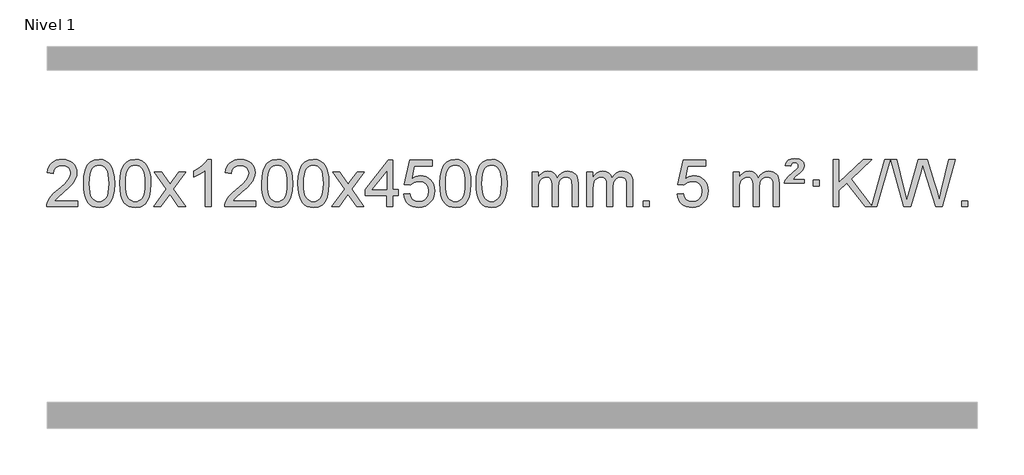
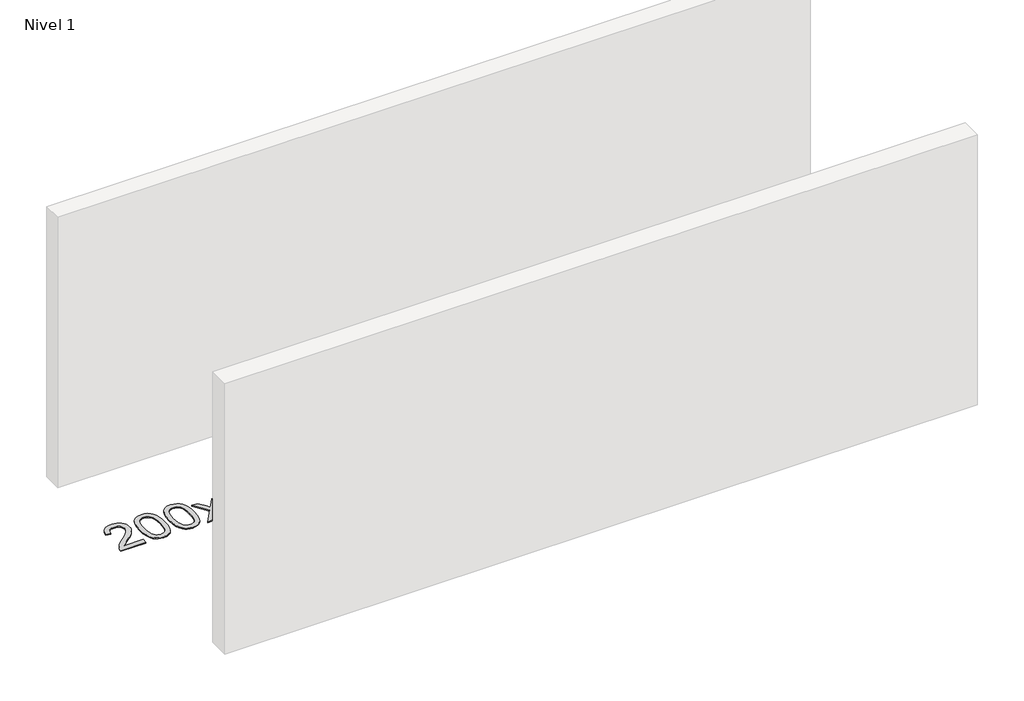
# One storey, part 7 of 14: 1 proxy.
"""IFC4 building model written with IfcOpenShell, lengths in millimetres."""

from ifc_helpers import new_model, si_unit, origin, origin_with_axes, place, context, project, spatial, polyline, outline, extrude, element, save

model = new_model("IFC4")

# Units and contexts
model_context = context("Model", 3, world=origin())
ifc_project = project(units=[si_unit("LENGTHUNIT", "METRE", prefix="MILLI")], contexts=[model_context])

# Site, building, storey
site = spatial("IfcSite", under=ifc_project)
building = spatial("IfcBuilding", under=site)
storey = spatial("IfcBuildingStorey", under=building, Name="Nivel 1", Elevation=0.0)

# Proxy
placement = place(None, origin())
element("IfcBuildingElementProxy", 1, Name="Texto de modelo 1", ObjectType="Texto de modelo 1", at=placement, inside=storey, context=model_context, shape_type="SweptSolid", body=[
    extrude(outline(polyline([(25.9073517, -18440.3512979), (25.9073517, -18490.579453), (-237.7904625, -18490.579453), (-236.6868165, -18472.8965918), (-232.3948599, -18455.9494945), (-220.0094994, -18428.8856424), (-201.8851797, -18402.6311307), (-175.6674562, -18375.1503456), (-139.001884, -18344.4076736), (-84.8006034, -18296.2641831), (-52.279835, -18260.7267824), (-36.0194508, -18231.884834), (-30.5993228, -18203.8277005), (-35.7128825, -18178.6768347), (-51.0535617, -18157.7688747), (-74.6347976, -18143.6789943), (-104.4700274, -18138.9823675), (-135.8013107, -18143.5686297), (-160.142836, -18157.3274163), (-175.8513972, -18179.1796068), (-181.283788, -18208.0460807), (-231.5119431, -18201.7675613), (-227.1923953, -18175.838012), (-219.335049, -18153.1826125), (-207.9399042, -18133.8013627), (-193.0069609, -18117.6942627), (-174.8795756, -18105.0329907), (-153.9011048, -18095.989225), (-130.0715486, -18090.5629655), (-103.3909069, -18088.7542124), (-76.4711419, -18090.7653006), (-52.512827, -18096.7985654), (-31.5159621, -18106.8540066), (-13.4805473, -18120.9316242), (1.0048063, -18137.9890861), (11.3514874, -18156.9840598), (17.5594961, -18177.9165453), (19.6288323, -18200.7865427), (17.3970149, -18224.8092369), (10.7015625, -18248.4149983), (-1.1810259, -18272.4254299), (-18.9742517, -18297.6621347), (-47.3379536, -18327.7916701), (-90.93197, -18366.4805933), (-148.7139687, -18414.795762), (-171.3754996, -18440.3512979), (25.9073517, -18440.3512979)])), origin_with_axes(), (0.0, 0.0, 1.0), 10.0),
    extrude(outline(polyline([(76.1355068, -18292.9041943), (79.8265894, -18228.5861588), (90.8998375, -18177.2911459), (109.2448863, -18138.2343407), (121.1029493, -18123.0009605), (134.7513713, -18110.6309284), (150.2361376, -18101.0598651), (167.6032335, -18094.2233914), (207.9844138, -18088.7542124), (238.9355524, -18091.991574), (266.6493293, -18101.7036586), (289.825895, -18117.5103217), (307.1653997, -18139.0314184), (320.2619988, -18166.0830078), (330.7098474, -18198.4811488), (337.5524525, -18239.6226186), (339.8333209, -18292.9041943), (336.1790264, -18356.8543477), (325.216143, -18408.0267333), (306.9814587, -18447.1203266), (295.1509869, -18462.3996922), (281.5117619, -18474.8341036), (266.0086015, -18484.4695462), (248.5863234, -18491.3520052), (207.9844138, -18496.8579724), (180.3196878, -18494.4667394), (155.7942214, -18487.2930405), (134.4080148, -18475.3368757), (116.1610678, -18458.5982449), (98.6498849, -18428.3399508), (86.141897, -18390.6381776), (78.6371043, -18345.4929255), (76.1355068, -18292.9041943)]), holes=[polyline([(126.3636618, -18292.8060924), (127.8351898, -18336.4706195), (132.2497738, -18371.8148822), (139.6074137, -18398.8388804), (149.9081095, -18417.5426142), (162.3670464, -18430.2682656), (176.1994094, -18439.3580165), (191.4051986, -18444.8118671), (207.9844138, -18446.6298173), (224.5636291, -18444.8057357), (239.7694182, -18439.3334911), (253.6017812, -18430.2130833), (266.0607181, -18417.4445124), (276.361414, -18398.7101217), (283.7190539, -18371.6922549), (288.1336378, -18336.3909118), (289.6051658, -18292.8060924), (288.1826888, -18250.2973278), (283.9152576, -18215.5753989), (276.8028724, -18188.6403055), (266.8455331, -18169.4920476), (254.5950626, -18156.1440625), (240.6032841, -18146.6097875), (224.8701974, -18140.8892225), (207.3958026, -18138.9823675), (190.9024265, -18140.6623619), (175.9541548, -18145.7023452), (162.5509874, -18154.1023175), (150.6929244, -18165.8622786), (140.0488721, -18186.708925), (132.4459775, -18214.8151094), (127.8842407, -18250.1808319), (126.3636618, -18292.8060924)])]), origin_with_axes(), (0.0, 0.0, 1.0), 10.0),
    extrude(outline(polyline([(383.7829566, -18292.9041943), (387.4740393, -18228.5861588), (398.5472873, -18177.2911459), (416.8923362, -18138.2343407), (428.7503991, -18123.0009605), (442.3988212, -18110.6309284), (457.8835875, -18101.0598651), (475.2506833, -18094.2233914), (515.6318637, -18088.7542124), (546.5830022, -18091.991574), (574.2967792, -18101.7036586), (597.4733449, -18117.5103217), (614.8128496, -18139.0314184), (627.9094486, -18166.0830078), (638.3572973, -18198.4811488), (645.1999024, -18239.6226186), (647.4807707, -18292.9041943), (643.8264762, -18356.8543477), (632.8635928, -18408.0267333), (614.6289086, -18447.1203266), (602.7984367, -18462.3996922), (589.1592118, -18474.8341036), (573.6560514, -18484.4695462), (556.2337732, -18491.3520052), (515.6318637, -18496.8579724), (487.9671376, -18494.4667394), (463.4416713, -18487.2930405), (442.0554646, -18475.3368757), (423.8085177, -18458.5982449), (406.2973347, -18428.3399508), (393.7893469, -18390.6381776), (386.2845542, -18345.4929255), (383.7829566, -18292.9041943)]), holes=[polyline([(434.0111117, -18292.8060924), (435.4826396, -18336.4706195), (439.8972236, -18371.8148822), (447.2548635, -18398.8388804), (457.5555594, -18417.5426142), (470.0144963, -18430.2682656), (483.8468593, -18439.3580165), (499.0526484, -18444.8118671), (515.6318637, -18446.6298173), (532.2110789, -18444.8057357), (547.416868, -18439.3334911), (561.2492311, -18430.2130833), (573.708168, -18417.4445124), (584.0088638, -18398.7101217), (591.3665037, -18371.6922549), (595.7810877, -18336.3909118), (597.2526157, -18292.8060924), (595.8301386, -18250.2973278), (591.5627075, -18215.5753989), (584.4503222, -18188.6403055), (574.4929829, -18169.4920476), (562.2425125, -18156.1440625), (548.2507339, -18146.6097875), (532.5176472, -18140.8892225), (515.0432525, -18138.9823675), (498.5498764, -18140.6623619), (483.6016046, -18145.7023452), (470.1984373, -18154.1023175), (458.3403743, -18165.8622786), (447.6963219, -18186.708925), (440.0934273, -18214.8151094), (435.5316906, -18250.1808319), (434.0111117, -18292.8060924)])]), origin_with_axes(), (0.0, 0.0, 1.0), 10.0),
    extrude(outline(polyline([(672.5948483, -18490.579453), (779.918289, -18342.2494325), (678.8733677, -18195.4890419), (739.3041167, -18195.4890419), (788.0607438, -18266.122385), (810.8203766, -18299.4770192), (830.5388515, -18272.2047007), (886.0645073, -18195.4890419), (946.4952564, -18195.4890419), (840.3490381, -18342.2494325), (942.5711818, -18490.579453), (882.1404327, -18490.579453), (820.6305631, -18401.4048574), (809.3488486, -18385.1199477), (733.0255973, -18490.579453), (672.5948483, -18490.579453)])), origin_with_axes(), (0.0, 0.0, 1.0), 10.0),
    extrude(outline(polyline([(1162.3193603, -18490.579453), (1112.0912052, -18490.579453), (1112.0912052, -18177.4382987), (1091.1219315, -18194.3976587), (1064.5118005, -18211.3324932), (1011.634895, -18236.6918254), (1011.634895, -18189.2105225), (1051.0841076, -18167.7507395), (1085.260345, -18142.219729), (1112.2015698, -18115.0700378), (1129.9457447, -18088.7542124), (1162.3193603, -18088.7542124), (1162.3193603, -18490.579453)])), origin_with_axes(), (0.0, 0.0, 1.0), 10.0),
    extrude(outline(polyline([(1539.0305233, -18440.3512979), (1539.0305233, -18490.579453), (1275.3327092, -18490.579453), (1276.4363552, -18472.8965918), (1280.7283118, -18455.9494945), (1293.1136723, -18428.8856424), (1311.2379919, -18402.6311307), (1337.4557154, -18375.1503456), (1374.1212876, -18344.4076736), (1428.3225682, -18296.2641831), (1460.8433366, -18260.7267824), (1477.1037208, -18231.884834), (1482.5238489, -18203.8277005), (1477.4102891, -18178.6768347), (1462.0696099, -18157.7688747), (1438.488374, -18143.6789943), (1408.6531442, -18138.9823675), (1377.321861, -18143.5686297), (1352.9803356, -18157.3274163), (1337.2717744, -18179.1796068), (1331.8393836, -18208.0460807), (1281.6112286, -18201.7675613), (1285.9307763, -18175.838012), (1293.7881226, -18153.1826125), (1305.1832674, -18133.8013627), (1320.1162107, -18117.6942627), (1338.243596, -18105.0329907), (1359.2220668, -18095.989225), (1383.051623, -18090.5629655), (1409.7322647, -18088.7542124), (1436.6520297, -18090.7653006), (1460.6103447, -18096.7985654), (1481.6072095, -18106.8540066), (1499.6426244, -18120.9316242), (1514.1279779, -18137.9890861), (1524.474659, -18156.9840598), (1530.6826677, -18177.9165453), (1532.7520039, -18200.7865427), (1530.5201865, -18224.8092369), (1523.8247342, -18248.4149983), (1511.9421457, -18272.4254299), (1494.1489199, -18297.6621347), (1465.7852181, -18327.7916701), (1422.1912016, -18366.4805933), (1364.4092029, -18414.795762), (1341.747672, -18440.3512979), (1539.0305233, -18440.3512979)])), origin_with_axes(), (0.0, 0.0, 1.0), 10.0),
    extrude(outline(polyline([(1589.2586784, -18292.9041943), (1592.9497611, -18228.5861588), (1604.0230091, -18177.2911459), (1622.368058, -18138.2343407), (1634.2261209, -18123.0009605), (1647.874543, -18110.6309284), (1663.3593093, -18101.0598651), (1680.7264051, -18094.2233914), (1721.1075855, -18088.7542124), (1752.058724, -18091.991574), (1779.772501, -18101.7036586), (1802.9490667, -18117.5103217), (1820.2885714, -18139.0314184), (1833.3851704, -18166.0830078), (1843.833019, -18198.4811488), (1850.6756242, -18239.6226186), (1852.9564925, -18292.9041943), (1849.302198, -18356.8543477), (1838.3393146, -18408.0267333), (1820.1046304, -18447.1203266), (1808.2741585, -18462.3996922), (1794.6349336, -18474.8341036), (1779.1317731, -18484.4695462), (1761.709495, -18491.3520052), (1721.1075855, -18496.8579724), (1693.4428594, -18494.4667394), (1668.9173931, -18487.2930405), (1647.5311864, -18475.3368757), (1629.2842395, -18458.5982449), (1611.7730565, -18428.3399508), (1599.2650687, -18390.6381776), (1591.760276, -18345.4929255), (1589.2586784, -18292.9041943)]), holes=[polyline([(1639.4868335, -18292.8060924), (1640.9583614, -18336.4706195), (1645.3729454, -18371.8148822), (1652.7305853, -18398.8388804), (1663.0312812, -18417.5426142), (1675.4902181, -18430.2682656), (1689.3225811, -18439.3580165), (1704.5283702, -18444.8118671), (1721.1075855, -18446.6298173), (1737.6868007, -18444.8057357), (1752.8925898, -18439.3334911), (1766.7249529, -18430.2130833), (1779.1838898, -18417.4445124), (1789.4845856, -18398.7101217), (1796.8422255, -18371.6922549), (1801.2568095, -18336.3909118), (1802.7283375, -18292.8060924), (1801.3058604, -18250.2973278), (1797.0384293, -18215.5753989), (1789.926044, -18188.6403055), (1779.9687047, -18169.4920476), (1767.7182342, -18156.1440625), (1753.7264557, -18146.6097875), (1737.993369, -18140.8892225), (1720.5189743, -18138.9823675), (1704.0255981, -18140.6623619), (1689.0773264, -18145.7023452), (1675.6741591, -18154.1023175), (1663.8160961, -18165.8622786), (1653.1720437, -18186.708925), (1645.5691491, -18214.8151094), (1641.0074124, -18250.1808319), (1639.4868335, -18292.8060924)])]), origin_with_axes(), (0.0, 0.0, 1.0), 10.0),
    extrude(outline(polyline([(1896.9061282, -18292.9041943), (1900.5972109, -18228.5861588), (1911.670459, -18177.2911459), (1930.0155078, -18138.2343407), (1941.8735708, -18123.0009605), (1955.5219928, -18110.6309284), (1971.0067591, -18101.0598651), (1988.373855, -18094.2233914), (2028.7550353, -18088.7542124), (2059.7061738, -18091.991574), (2087.4199508, -18101.7036586), (2110.5965165, -18117.5103217), (2127.9360212, -18139.0314184), (2141.0326202, -18166.0830078), (2151.4804689, -18198.4811488), (2158.323074, -18239.6226186), (2160.6039424, -18292.9041943), (2156.9496479, -18356.8543477), (2145.9867644, -18408.0267333), (2127.7520802, -18447.1203266), (2115.9216084, -18462.3996922), (2102.2823834, -18474.8341036), (2086.779223, -18484.4695462), (2069.3569448, -18491.3520052), (2028.7550353, -18496.8579724), (2001.0903093, -18494.4667394), (1976.5648429, -18487.2930405), (1955.1786363, -18475.3368757), (1936.9316893, -18458.5982449), (1919.4205063, -18428.3399508), (1906.9125185, -18390.6381776), (1899.4077258, -18345.4929255), (1896.9061282, -18292.9041943)]), holes=[polyline([(1947.1342833, -18292.8060924), (1948.6058113, -18336.4706195), (1953.0203952, -18371.8148822), (1960.3780351, -18398.8388804), (1970.678731, -18417.5426142), (1983.1376679, -18430.2682656), (1996.9700309, -18439.3580165), (2012.17582, -18444.8118671), (2028.7550353, -18446.6298173), (2045.3342505, -18444.8057357), (2060.5400397, -18439.3334911), (2074.3724027, -18430.2130833), (2086.8313396, -18417.4445124), (2097.1320355, -18398.7101217), (2104.4896754, -18371.6922549), (2108.9042593, -18336.3909118), (2110.3757873, -18292.8060924), (2108.9533102, -18250.2973278), (2104.6858791, -18215.5753989), (2097.5734939, -18188.6403055), (2087.6161545, -18169.4920476), (2075.3656841, -18156.1440625), (2061.3739055, -18146.6097875), (2045.6408189, -18140.8892225), (2028.1664241, -18138.9823675), (2011.673048, -18140.6623619), (1996.7247762, -18145.7023452), (1983.3216089, -18154.1023175), (1971.4635459, -18165.8622786), (1960.8194935, -18186.708925), (1953.2165989, -18214.8151094), (1948.6548622, -18250.1808319), (1947.1342833, -18292.8060924)])]), origin_with_axes(), (0.0, 0.0, 1.0), 10.0),
    extrude(outline(polyline([(2185.7180199, -18490.579453), (2293.0414606, -18342.2494325), (2191.9965393, -18195.4890419), (2252.4272884, -18195.4890419), (2301.1839155, -18266.122385), (2323.9435482, -18299.4770192), (2343.6620232, -18272.2047007), (2399.187679, -18195.4890419), (2459.618428, -18195.4890419), (2353.4722097, -18342.2494325), (2455.6943534, -18490.579453), (2395.2636044, -18490.579453), (2333.7537348, -18401.4048574), (2322.4720202, -18385.1199477), (2246.148769, -18490.579453), (2185.7180199, -18490.579453)])), origin_with_axes(), (0.0, 0.0, 1.0), 10.0),
    extrude(outline(polyline([(2650.3284543, -18490.579453), (2650.3284543, -18396.4016622), (2468.2513922, -18396.4016622), (2468.2513922, -18346.1735072), (2662.8854931, -18095.0327318), (2700.5566094, -18095.0327318), (2700.5566094, -18346.1735072), (2750.7847645, -18346.1735072), (2750.7847645, -18396.4016622), (2700.5566094, -18396.4016622), (2700.5566094, -18490.579453), (2650.3284543, -18490.579453)]), holes=[polyline([(2650.3284543, -18346.1735072), (2650.3284543, -18190.9763561), (2530.0555674, -18346.1735072), (2650.3284543, -18346.1735072)])]), origin_with_axes(), (0.0, 0.0, 1.0), 10.0),
    extrude(outline(polyline([(2794.7344002, -18383.8446235), (2844.9625553, -18377.5661041), (2854.1841306, -18407.7201649), (2870.2728365, -18429.3148381), (2893.1550966, -18442.3010725), (2922.7573345, -18446.6298173), (2941.8871983, -18445.1245668), (2958.7607191, -18440.6088153), (2973.377897, -18433.0825628), (2985.7387321, -18422.5458094), (2995.5673127, -18409.519721), (3002.5877275, -18394.5254641), (3008.2040592, -18358.6324441), (3002.9433467, -18324.8363514), (2996.3674561, -18310.9181493), (2987.1612091, -18298.9865099), (2975.2939491, -18289.4154467), (2960.7350191, -18282.5789729), (2923.5421494, -18277.1097939), (2899.1760986, -18279.2925604), (2879.4453609, -18285.8408599), (2863.6877488, -18295.8717757), (2851.2410746, -18308.5023908), (2801.0129196, -18302.2238715), (2844.9625553, -18095.0327318), (3039.5966562, -18095.0327318), (3039.5966562, -18145.2608869), (2885.5767275, -18145.2608869), (2864.092419, -18255.919791), (2881.8181998, -18243.2155994), (2899.9731763, -18234.1411769), (2918.5573484, -18228.6965234), (2937.5707162, -18226.8816388), (2962.0318032, -18229.1318504), (2984.500196, -18235.882485), (3004.9758947, -18247.1335427), (3023.4588993, -18262.8850234), (3038.7597246, -18282.1743027), (3049.6888856, -18304.038756), (3056.2463821, -18328.4783832), (3058.4322143, -18355.4931844), (3056.4640457, -18381.5147042), (3050.5595396, -18405.7213394), (3040.7186963, -18428.1130902), (3026.9415155, -18448.6899565), (3006.0703437, -18469.7634634), (2981.7165556, -18484.8159684), (2953.8801513, -18493.8474714), (2922.5611308, -18496.8579724), (2896.6407785, -18494.9235262), (2873.2281552, -18489.1201877), (2852.3232608, -18479.447957), (2833.9260954, -18465.9068338), (2818.6191387, -18449.1712688), (2806.9848706, -18429.915712), (2799.0232911, -18408.1401636), (2794.7344002, -18383.8446235)])), origin_with_axes(), (0.0, 0.0, 1.0), 10.0),
    extrude(outline(polyline([(3102.38185, -18292.9041943), (3106.0729327, -18228.5861588), (3117.1461808, -18177.2911459), (3135.4912296, -18138.2343407), (3147.3492926, -18123.0009605), (3160.9977146, -18110.6309284), (3176.4824809, -18101.0598651), (3193.8495767, -18094.2233914), (3234.2307571, -18088.7542124), (3265.1818956, -18091.991574), (3292.8956726, -18101.7036586), (3316.0722383, -18117.5103217), (3333.411743, -18139.0314184), (3346.508342, -18166.0830078), (3356.9561907, -18198.4811488), (3363.7987958, -18239.6226186), (3366.0796642, -18292.9041943), (3362.4253697, -18356.8543477), (3351.4624862, -18408.0267333), (3333.227802, -18447.1203266), (3321.3973302, -18462.3996922), (3307.7581052, -18474.8341036), (3292.2549448, -18484.4695462), (3274.8326666, -18491.3520052), (3234.2307571, -18496.8579724), (3206.566031, -18494.4667394), (3182.0405647, -18487.2930405), (3160.6543581, -18475.3368757), (3142.4074111, -18458.5982449), (3124.8962281, -18428.3399508), (3112.3882403, -18390.6381776), (3104.8834476, -18345.4929255), (3102.38185, -18292.9041943)]), holes=[polyline([(3152.6100051, -18292.8060924), (3154.0815331, -18336.4706195), (3158.496117, -18371.8148822), (3165.8537569, -18398.8388804), (3176.1544528, -18417.5426142), (3188.6133897, -18430.2682656), (3202.4457527, -18439.3580165), (3217.6515418, -18444.8118671), (3234.2307571, -18446.6298173), (3250.8099723, -18444.8057357), (3266.0157615, -18439.3334911), (3279.8481245, -18430.2130833), (3292.3070614, -18417.4445124), (3302.6077573, -18398.7101217), (3309.9653972, -18371.6922549), (3314.3799811, -18336.3909118), (3315.8515091, -18292.8060924), (3314.429032, -18250.2973278), (3310.1616009, -18215.5753989), (3303.0492157, -18188.6403055), (3293.0918763, -18169.4920476), (3280.8414059, -18156.1440625), (3266.8496273, -18146.6097875), (3251.1165407, -18140.8892225), (3233.6421459, -18138.9823675), (3217.1487698, -18140.6623619), (3202.200498, -18145.7023452), (3188.7973307, -18154.1023175), (3176.9392677, -18165.8622786), (3166.2952153, -18186.708925), (3158.6923207, -18214.8151094), (3154.130584, -18250.1808319), (3152.6100051, -18292.8060924)])]), origin_with_axes(), (0.0, 0.0, 1.0), 10.0),
    extrude(outline(polyline([(3410.0292998, -18292.9041943), (3413.7203825, -18228.5861588), (3424.7936306, -18177.2911459), (3443.1386794, -18138.2343407), (3454.9967424, -18123.0009605), (3468.6451644, -18110.6309284), (3484.1299307, -18101.0598651), (3501.4970266, -18094.2233914), (3541.8782069, -18088.7542124), (3572.8293454, -18091.991574), (3600.5431224, -18101.7036586), (3623.7196881, -18117.5103217), (3641.0591928, -18139.0314184), (3654.1557918, -18166.0830078), (3664.6036405, -18198.4811488), (3671.4462456, -18239.6226186), (3673.727114, -18292.9041943), (3670.0728195, -18356.8543477), (3659.109936, -18408.0267333), (3640.8752518, -18447.1203266), (3629.04478, -18462.3996922), (3615.405555, -18474.8341036), (3599.9023946, -18484.4695462), (3582.4801165, -18491.3520052), (3541.8782069, -18496.8579724), (3514.2134809, -18494.4667394), (3489.6880145, -18487.2930405), (3468.3018079, -18475.3368757), (3450.0548609, -18458.5982449), (3432.543678, -18428.3399508), (3420.0356901, -18390.6381776), (3412.5308974, -18345.4929255), (3410.0292998, -18292.9041943)]), holes=[polyline([(3460.2574549, -18292.8060924), (3461.7289829, -18336.4706195), (3466.1435668, -18371.8148822), (3473.5012067, -18398.8388804), (3483.8019026, -18417.5426142), (3496.2608395, -18430.2682656), (3510.0932025, -18439.3580165), (3525.2989917, -18444.8118671), (3541.8782069, -18446.6298173), (3558.4574222, -18444.8057357), (3573.6632113, -18439.3334911), (3587.4955743, -18430.2130833), (3599.9545112, -18417.4445124), (3610.2552071, -18398.7101217), (3617.612847, -18371.6922549), (3622.0274309, -18336.3909118), (3623.4989589, -18292.8060924), (3622.0764819, -18250.2973278), (3617.8090507, -18215.5753989), (3610.6966655, -18188.6403055), (3600.7393261, -18169.4920476), (3588.4888557, -18156.1440625), (3574.4970772, -18146.6097875), (3558.7639905, -18140.8892225), (3541.2895957, -18138.9823675), (3524.7962196, -18140.6623619), (3509.8479479, -18145.7023452), (3496.4447805, -18154.1023175), (3484.5867175, -18165.8622786), (3473.9426651, -18186.708925), (3466.3397706, -18214.8151094), (3461.7780338, -18250.1808319), (3460.2574549, -18292.8060924)])]), origin_with_axes(), (0.0, 0.0, 1.0), 10.0),
    extrude(outline(polyline([(3887.1967731, -18490.579453), (3887.1967731, -18195.4890419), (3937.4249281, -18195.4890419), (3937.4249281, -18244.0494653), (3952.5326154, -18221.7435537), (3971.9567847, -18204.2691589), (3995.0352486, -18192.9751816), (4021.1058193, -18189.2105225), (4049.0403255, -18193.048758), (4071.4320762, -18204.5634645), (4088.1584443, -18222.9943524), (4099.0968023, -18247.5811324), (4117.4050629, -18222.0439906), (4138.2884975, -18203.803175), (4161.7471061, -18192.8586857), (4187.7808886, -18189.2105225), (4207.8887053, -18190.7280358), (4225.537844, -18195.2805755), (4240.7283047, -18202.8681416), (4253.4600875, -18213.4907342), (4263.5247257, -18227.2709806), (4270.713753, -18244.3315082), (4275.0271694, -18264.6723168), (4276.4649749, -18288.2934066), (4276.4649749, -18490.579453), (4226.2368198, -18490.579453), (4226.2368198, -18309.875817), (4225.0718602, -18284.8230531), (4221.5769812, -18267.9372695), (4215.0286817, -18256.3735121), (4204.7034604, -18247.2868268), (4191.4229203, -18241.4007149), (4176.0086647, -18239.4386776), (4148.7976598, -18244.4663982), (4126.6143755, -18259.54956), (4118.0090025, -18271.1194488), (4111.8623075, -18285.7182326), (4106.9449515, -18324.0024856), (4106.9449515, -18490.579453), (4056.7167964, -18490.579453), (4056.7167964, -18304.2840106), (4053.8105287, -18275.8835206), (4045.0917254, -18255.6254854), (4029.7510462, -18243.4853796), (4006.9791507, -18239.4386776), (3987.6285577, -18242.1364789), (3969.7985437, -18250.2298828), (3955.0832639, -18263.5226856), (3945.0768736, -18281.8186835), (3939.3379145, -18307.2025411), (3937.4249281, -18341.7589232), (3937.4249281, -18490.579453), (3887.1967731, -18490.579453)])), origin_with_axes(), (0.0, 0.0, 1.0), 10.0),
    extrude(outline(polyline([(4351.8072075, -18490.579453), (4351.8072075, -18195.4890419), (4402.0353626, -18195.4890419), (4402.0353626, -18244.0494653), (4417.1430498, -18221.7435537), (4436.5672192, -18204.2691589), (4459.645683, -18192.9751816), (4485.7162537, -18189.2105225), (4513.6507599, -18193.048758), (4536.0425107, -18204.5634645), (4552.7688787, -18222.9943524), (4563.7072367, -18247.5811324), (4582.0154973, -18222.0439906), (4602.8989319, -18203.803175), (4626.3575405, -18192.8586857), (4652.391323, -18189.2105225), (4672.4991397, -18190.7280358), (4690.1482785, -18195.2805755), (4705.3387392, -18202.8681416), (4718.0705219, -18213.4907342), (4728.1351602, -18227.2709806), (4735.3241875, -18244.3315082), (4739.6376039, -18264.6723168), (4741.0754093, -18288.2934066), (4741.0754093, -18490.579453), (4690.8472543, -18490.579453), (4690.8472543, -18309.875817), (4689.6822946, -18284.8230531), (4686.1874157, -18267.9372695), (4679.6391161, -18256.3735121), (4669.3138948, -18247.2868268), (4656.0333548, -18241.4007149), (4640.6190992, -18239.4386776), (4613.4080943, -18244.4663982), (4591.22481, -18259.54956), (4582.619437, -18271.1194488), (4576.472742, -18285.7182326), (4571.555386, -18324.0024856), (4571.555386, -18490.579453), (4521.3272309, -18490.579453), (4521.3272309, -18304.2840106), (4518.4209631, -18275.8835206), (4509.7021598, -18255.6254854), (4494.3614806, -18243.4853796), (4471.5895851, -18239.4386776), (4452.2389922, -18242.1364789), (4434.4089782, -18250.2298828), (4419.6936983, -18263.5226856), (4409.6873081, -18281.8186835), (4403.948349, -18307.2025411), (4402.0353626, -18341.7589232), (4402.0353626, -18490.579453), (4351.8072075, -18490.579453)])), origin_with_axes(), (0.0, 0.0, 1.0), 10.0),
    extrude(outline(polyline([(4828.9746807, -18490.579453), (4828.9746807, -18440.3512979), (4879.2028358, -18440.3512979), (4879.2028358, -18490.579453), (4828.9746807, -18490.579453)])), origin_with_axes(), (0.0, 0.0, 1.0), 10.0),
    extrude(outline(polyline([(5117.7865724, -18383.8446235), (5168.0147275, -18377.5661041), (5177.2363028, -18407.7201649), (5193.3250087, -18429.3148381), (5216.2072688, -18442.3010725), (5245.8095067, -18446.6298173), (5264.9393705, -18445.1245668), (5281.8128913, -18440.6088153), (5296.4300692, -18433.0825628), (5308.7909043, -18422.5458094), (5318.6194849, -18409.519721), (5325.6398997, -18394.5254641), (5331.2562315, -18358.6324441), (5325.9955189, -18324.8363514), (5319.4196283, -18310.9181493), (5310.2133813, -18298.9865099), (5298.3461213, -18289.4154467), (5283.7871913, -18282.5789729), (5246.5943216, -18277.1097939), (5222.2282708, -18279.2925604), (5202.4975331, -18285.8408599), (5186.739921, -18295.8717757), (5174.2932469, -18308.5023908), (5124.0650918, -18302.2238715), (5168.0147275, -18095.0327318), (5362.6488284, -18095.0327318), (5362.6488284, -18145.2608869), (5208.6288997, -18145.2608869), (5187.1445912, -18255.919791), (5204.870372, -18243.2155994), (5223.0253485, -18234.1411769), (5241.6095206, -18228.6965234), (5260.6228884, -18226.8816388), (5285.0839754, -18229.1318504), (5307.5523682, -18235.882485), (5328.028067, -18247.1335427), (5346.5110715, -18262.8850234), (5361.8118968, -18282.1743027), (5372.7410578, -18304.038756), (5379.2985543, -18328.4783832), (5381.4843865, -18355.4931844), (5379.5162179, -18381.5147042), (5373.6117118, -18405.7213394), (5363.7708685, -18428.1130902), (5349.9936877, -18448.6899565), (5329.1225159, -18469.7634634), (5304.7687278, -18484.8159684), (5276.9323235, -18493.8474714), (5245.613303, -18496.8579724), (5219.6929507, -18494.9235262), (5196.2803274, -18489.1201877), (5175.3754331, -18479.447957), (5156.9782676, -18465.9068338), (5141.6713109, -18449.1712688), (5130.0370428, -18429.915712), (5122.0754633, -18408.1401636), (5117.7865724, -18383.8446235)])), origin_with_axes(), (0.0, 0.0, 1.0), 10.0),
    extrude(outline(polyline([(5594.9540456, -18490.579453), (5594.9540456, -18195.4890419), (5645.1822007, -18195.4890419), (5645.1822007, -18244.0494653), (5660.2898879, -18221.7435537), (5679.7140573, -18204.2691589), (5702.7925211, -18192.9751816), (5728.8630918, -18189.2105225), (5756.797598, -18193.048758), (5779.1893488, -18204.5634645), (5795.9157168, -18222.9943524), (5806.8540748, -18247.5811324), (5825.1623355, -18222.0439906), (5846.04577, -18203.803175), (5869.5043786, -18192.8586857), (5895.5381611, -18189.2105225), (5915.6459778, -18190.7280358), (5933.2951166, -18195.2805755), (5948.4855773, -18202.8681416), (5961.21736, -18213.4907342), (5971.2819983, -18227.2709806), (5978.4710256, -18244.3315082), (5982.784442, -18264.6723168), (5984.2222474, -18288.2934066), (5984.2222474, -18490.579453), (5933.9940924, -18490.579453), (5933.9940924, -18309.875817), (5932.8291327, -18284.8230531), (5929.3342538, -18267.9372695), (5922.7859542, -18256.3735121), (5912.4607329, -18247.2868268), (5899.1801929, -18241.4007149), (5883.7659373, -18239.4386776), (5856.5549324, -18244.4663982), (5834.3716481, -18259.54956), (5825.7662751, -18271.1194488), (5819.6195801, -18285.7182326), (5814.7022241, -18324.0024856), (5814.7022241, -18490.579453), (5764.474069, -18490.579453), (5764.474069, -18304.2840106), (5761.5678012, -18275.8835206), (5752.8489979, -18255.6254854), (5737.5083187, -18243.4853796), (5714.7364232, -18239.4386776), (5695.3858303, -18242.1364789), (5677.5558163, -18250.2298828), (5662.8405364, -18263.5226856), (5652.8341462, -18281.8186835), (5647.0951871, -18307.2025411), (5645.1822007, -18341.7589232), (5645.1822007, -18490.579453), (5594.9540456, -18490.579453)])), origin_with_axes(), (0.0, 0.0, 1.0), 10.0),
    extrude(outline(polyline([(6028.1718831, -18289.6668327), (6031.9978559, -18273.8479069), (6040.3365144, -18257.9799302), (6061.8453484, -18232.8413272), (6093.8020311, -18205.1030247), (6137.9478705, -18167.726214), (6145.0847812, -18156.1992448), (6147.4637514, -18144.3779701), (6145.5752905, -18132.2869152), (6139.9099078, -18122.5012541), (6130.5411796, -18116.026531), (6117.5426825, -18113.8682899), (6105.108271, -18115.4869707), (6096.2545777, -18120.343013), (6089.8289055, -18129.8098431), (6084.6785576, -18145.2608869), (6034.4504025, -18138.9823675), (6045.2906586, -18113.7701881), (6061.9189248, -18096.2099542), (6085.6841017, -18085.9092583), (6117.9350899, -18082.475693), (6153.7177453, -18086.6082341), (6178.4639409, -18099.0058573), (6192.8849151, -18117.3386434), (6197.6919065, -18139.2766731), (6193.5961536, -18162.1834586), (6181.308895, -18183.8149199), (6160.7810797, -18203.6314968), (6124.3117112, -18231.6886303), (6098.7071243, -18258.2742358), (6197.6919065, -18258.2742358), (6197.6919065, -18289.6668327), (6028.1718831, -18289.6668327)])), origin_with_axes(), (0.0, 0.0, 1.0), 10.0),
    extrude(outline(polyline([(6273.0341391, -18314.7809102), (6273.0341391, -18264.5527552), (6323.2622942, -18264.5527552), (6323.2622942, -18314.7809102), (6273.0341391, -18314.7809102)])), origin_with_axes(), (0.0, 0.0, 1.0), 10.0),
    extrude(outline(polyline([(6713.9039221, -18490.579453), (6560.4726047, -18287.9009991), (6492.7823176, -18352.4520265), (6492.7823176, -18490.579453), (6442.5541625, -18490.579453), (6442.5541625, -18088.7542124), (6492.7823176, -18088.7542124), (6492.7823176, -18285.4484525), (6698.7962349, -18088.7542124), (6769.0371705, -18088.7542124), (6596.0835818, -18253.9577537), (6770.7371917, -18484.5349332), (6882.0505194, -18088.7542124), (6927.3735812, -18088.7542124), (6814.3602323, -18490.579453), (6775.3156899, -18490.579453), (6769.0371705, -18490.579453), (6713.9039221, -18490.579453)])), origin_with_axes(), (0.0, 0.0, 1.0), 10.0),
    extrude(outline(polyline([(7041.8584581, -18490.579453), (6932.2786745, -18088.7542124), (6984.0764594, -18088.7542124), (7047.6464682, -18352.844434), (7067.2668412, -18434.3670841), (7088.2606404, -18362.2622131), (7167.9193551, -18088.7542124), (7242.5748747, -18088.7542124), (7300.4549752, -18287.0180823), (7325.2502217, -18360.5944814), (7343.5216941, -18434.3670841), (7362.553456, -18355.1988788), (7426.712076, -18088.7542124), (7478.5098609, -18088.7542124), (7368.8319754, -18490.579453), (7315.170255, -18490.579453), (7218.8342232, -18180.5775584), (7205.3942677, -18137.3146358), (7190.2865804, -18189.4067263), (7102.4854109, -18490.579453), (7041.8584581, -18490.579453)])), origin_with_axes(), (0.0, 0.0, 1.0), 10.0),
    extrude(outline(polyline([(7535.0165354, -18490.579453), (7535.0165354, -18440.3512979), (7585.2446904, -18440.3512979), (7585.2446904, -18490.579453), (7535.0165354, -18490.579453)])), origin_with_axes(), (0.0, 0.0, 1.0), 10.0),
])

save(model, "model.ifc")
